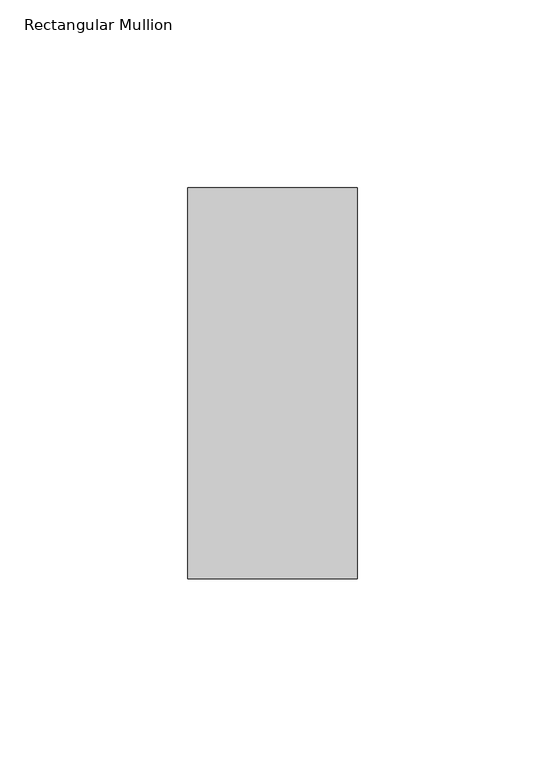
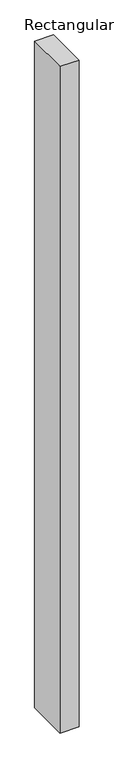
"""IFC4 building model written with IfcOpenShell, lengths in millimetres: member geometry, Rectangular Mullion."""

from ifc_helpers import new_model, si_unit, frame, origin, place, context, project, spatial, polyline, outline, extrude, source, transform, mapped, element, save


def rectangular_mullion_6f699644(model_context):
    return source(origin(), model_context, "Body", "SweptSolid", [
        extrude(outline(polyline([(-45.0, 67.525), (0.0, 67.525), (0.0, -36.525), (-45.0, -36.525), (-45.0, 67.525)])), frame((0.0, 0.0, -1674.2708705), z_axis=(0.0, 0.0, 1.0), x_axis=(1.0, 0.0, 0.0)), (0.0, 0.0, 1.0), 1674.2708705),
    ])


if __name__ == "__main__":
    model = new_model("IFC4")
    model_context = context("Model", 3, world=origin())
    ifc_project = project(units=[si_unit("LENGTHUNIT", "METRE", prefix="MILLI")], contexts=[model_context])
    site = spatial("IfcSite", under=ifc_project)
    building = spatial("IfcBuilding", under=site)
    placement = place(None, origin())
    rectangular_mullion_shape = rectangular_mullion_6f699644(model_context)
    element("IfcMember", 1, ObjectType="Rectangular Mullion", at=placement, inside=building, context=model_context, shape_type="MappedRepresentation", body=[
        mapped(rectangular_mullion_shape, transform((0.0, 0.0, 0.0), x_axis=(1.0, 0.0, 0.0), y_axis=(0.0, 1.0, 0.0), z_axis=(0.0, 0.0, 1.0))),
    ])
    save(model, "model.ifc")
